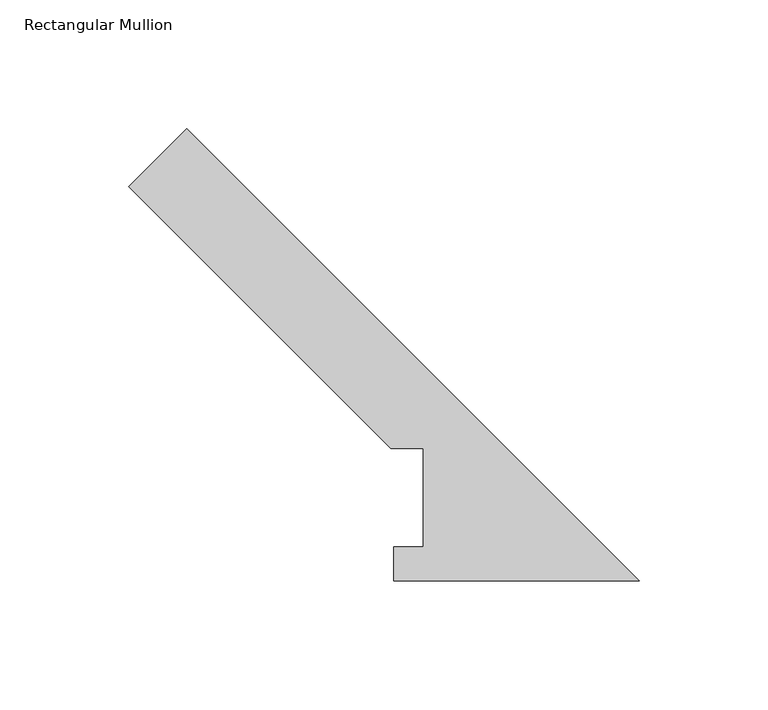
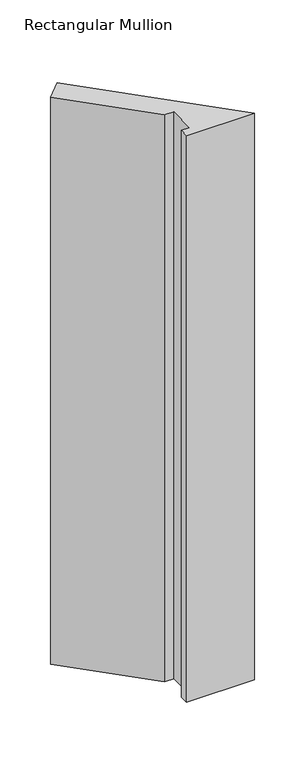
"""IFC4 building model written with IfcOpenShell, lengths in millimetres: member geometry, Rectangular Mullion."""

from ifc_helpers import new_model, si_unit, frame, origin, place, context, project, spatial, polyline, outline, extrude, source, transform, mapped, element, save


def rectangular_mullion_c9c07192(model_context):
    return source(origin(), model_context, "Body", "SweptSolid", [
        extrude(outline(polyline([(-197.7516598, 152.8653489), (-175.3010194, 175.3159893), (0.0, 0.0149699), (-95.1734192, 0.0149699), (-95.1734192, 13.1975699), (-83.5816233, 13.1975699), (-83.5816233, 51.3953125), (-96.2816234, 51.3953125), (-197.7516598, 152.8653489)])), frame((0.0, 0.0, -838.2000003), z_axis=(0.0, 0.0, 1.0), x_axis=(1.0, 0.0, 0.0)), (0.0, 0.0, 1.0), 838.2000003),
    ])


if __name__ == "__main__":
    model = new_model("IFC4")
    model_context = context("Model", 3, world=origin())
    ifc_project = project(units=[si_unit("LENGTHUNIT", "METRE", prefix="MILLI")], contexts=[model_context])
    site = spatial("IfcSite", under=ifc_project)
    building = spatial("IfcBuilding", under=site)
    placement = place(None, origin())
    rectangular_mullion_shape = rectangular_mullion_c9c07192(model_context)
    element("IfcMember", 1, ObjectType="Rectangular Mullion", at=placement, inside=building, context=model_context, shape_type="MappedRepresentation", body=[
        mapped(rectangular_mullion_shape, transform((0.0, 0.0, 0.0), x_axis=(1.0, 0.0, 0.0), y_axis=(0.0, 1.0, 0.0), z_axis=(0.0, 0.0, 1.0))),
    ])
    save(model, "model.ifc")
